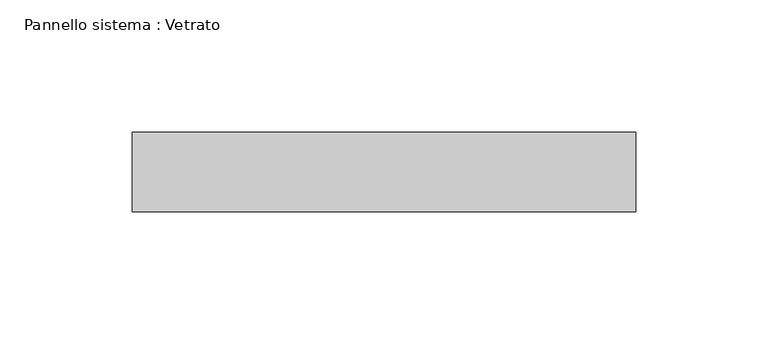
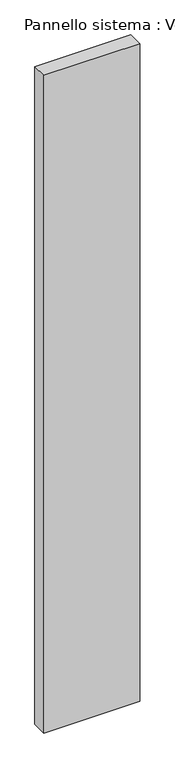
"""IFC4 building model written with IfcOpenShell, lengths in millimetres: plate geometry, Pannello sistema : Vetrato."""

from ifc_helpers import new_model, si_unit, origin, origin_with_axes, place, context, project, spatial, polyline, outline, extrude, source, transform, mapped, element, save


def pannello_sistema_vetrato_2e79523d(model_context):
    return source(origin(), model_context, "Body", "SweptSolid", [
        extrude(outline(polyline([(94.9999998, -15.0), (-94.9999998, -15.0), (-94.9999998, 15.0), (94.9999998, 15.0), (94.9999998, -15.0)])), origin_with_axes(), (0.0, 0.0, 1.0), 1375.0),
    ])


if __name__ == "__main__":
    model = new_model("IFC4")
    model_context = context("Model", 3, world=origin())
    ifc_project = project(units=[si_unit("LENGTHUNIT", "METRE", prefix="MILLI")], contexts=[model_context])
    site = spatial("IfcSite", under=ifc_project)
    building = spatial("IfcBuilding", under=site)
    placement = place(None, origin())
    pannello_sistema_vetrato_shape = pannello_sistema_vetrato_2e79523d(model_context)
    element("IfcPlate", 1, ObjectType="Pannello sistema : Vetrato", at=placement, inside=building, context=model_context, shape_type="MappedRepresentation", body=[
        mapped(pannello_sistema_vetrato_shape, transform((0.0, 0.0, 0.0), x_axis=(1.0, 0.0, 0.0), y_axis=(0.0, 1.0, 0.0), z_axis=(0.0, 0.0, 1.0))),
    ])
    save(model, "model.ifc")
